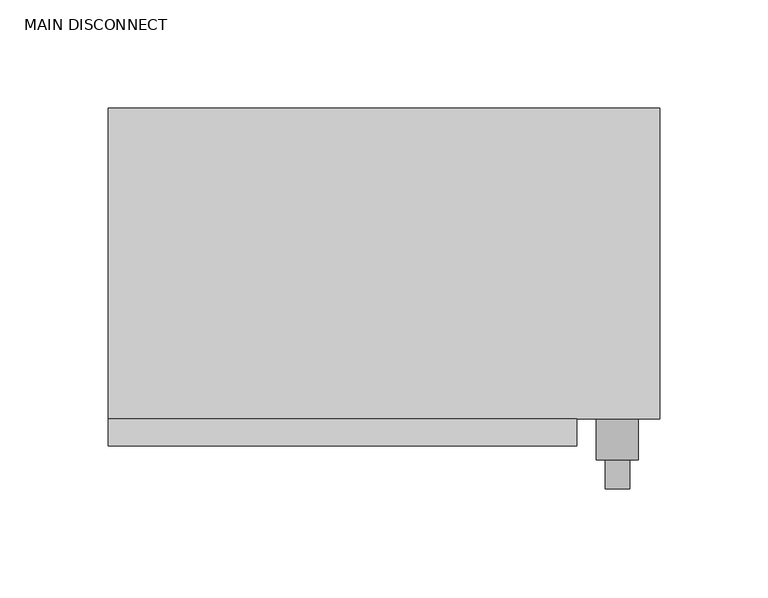
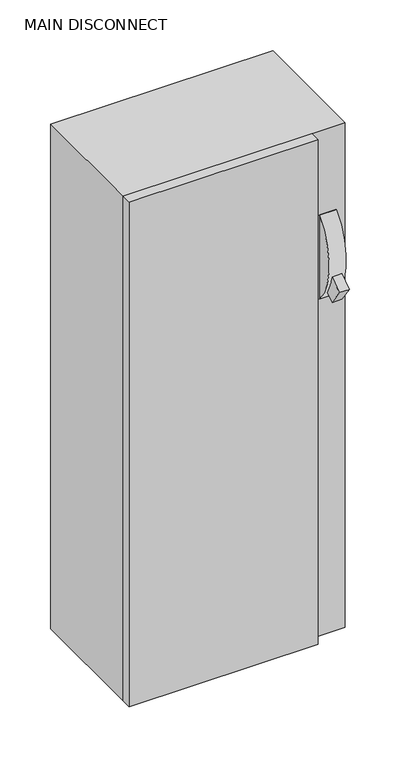
"""IFC4 building model written with IfcOpenShell, lengths in millimetres: proxy geometry, MAIN DISCONNECT."""

from ifc_helpers import new_model, si_unit, frame, origin, place, context, project, spatial, polyline, circle_curve, outline, extrude, source, transform, mapped, element, save
from ifc_brep_helpers import plane_surface, cylinder_surface, advanced_brep


def main_disconnect_1ad45551(model_context):
    return source(origin(), model_context, "Body", "SolidModel", [
        advanced_brep(
        [(113.2806669, -175.5640429, 1651.6001816), (113.2806669, -160.9952014, 1630.7937197), (113.2806669, -151.7567454, 1637.2625562), (113.2806669, -161.0494551, 1661.7634054), (113.2806669, -117.8929306, 1660.9742546), (113.2806669, -110.7200366, 1665.996769), (113.2806669, -117.8929306, 1676.2407233), (101.9953926, -160.9952014, 1630.7937197), (101.9953926, -175.5640429, 1651.6001816), (101.9953926, -161.0494551, 1661.7634054), (101.9953926, -151.7567454, 1637.2625562), (101.9953926, -117.8929306, 1676.2407233), (101.9953926, -110.7200366, 1665.996769), (101.9953926, -117.8929306, 1660.9742546), (117.1799555, -117.8929306, 1727.2), (117.1799555, -143.2998653, 1727.2), (117.1799555, -143.2998653, 1625.6), (117.1799555, -117.8929306, 1625.6), (97.8645466, -117.8929306, 1727.2), (97.8645466, -117.8929306, 1625.6), (97.8645466, -143.2998653, 1625.6), (97.8645466, -143.2998653, 1727.2)],
        [
            (0, 1),
            (1, 2),
            (2, 3, circle_curve(frame((113.2806669, -85.5136803, 1676.4), z_axis=(-1.0, 0.0, 0.0), x_axis=(0.0, 1.0, 0.0)), 76.9407771)),
            (3, 0),
            (4, 5),
            (5, 6),
            (6, 4),
            (7, 8),
            (8, 9),
            (9, 10, circle_curve(frame((101.9953926, -85.5136803, 1676.4), z_axis=(1.0, 0.0, 0.0), x_axis=(0.0, 1.0, 0.0)), 76.9407771)),
            (10, 7),
            (11, 12),
            (12, 13),
            (13, 11),
            (0, 8),
            (7, 1),
            (10, 2),
            (12, 5),
            (4, 13),
            (11, 6),
            (3, 9),
            (14, 15),
            (15, 16, circle_curve(frame((117.1799555, -85.5136803, 1676.4), z_axis=(1.0, 0.0, 0.0), x_axis=(0.0, 1.0, 0.0)), 76.9407771)),
            (16, 17),
            (17, 14),
            (18, 19),
            (19, 20),
            (20, 21, circle_curve(frame((97.8645466, -85.5136803, 1676.4), z_axis=(-1.0, 0.0, 0.0), x_axis=(0.0, 1.0, 0.0)), 76.9407771)),
            (21, 18),
            (14, 18),
            (21, 15),
            (20, 16),
            (19, 17),
        ],
        [
            plane_surface(frame((113.2806669, -160.9952014, 1630.7937197), z_axis=(1.0000000000000002, 0.0, 0.0), x_axis=(0.0, 0.5735764363510432, -0.8191520442889939))),
            plane_surface(frame((101.9953926, -160.9952014, 1630.7937197), z_axis=(-1.0000000000000002, 0.0, 0.0), x_axis=(0.0, -0.5735764363510432, 0.8191520442889939))),
            plane_surface(frame((113.2806669, -175.5640429, 1651.6001816), z_axis=(0.0, -0.8191520442889939, -0.5735764363510432), x_axis=(-1.0, 0.0, 0.0))),
            plane_surface(frame((113.2806669, -160.9952014, 1630.7937197), z_axis=(0.0, 0.5735764363510429, -0.8191520442889941), x_axis=(-1.0, 0.0, 0.0))),
            plane_surface(frame((113.2806669, -110.7200366, 1665.996769), z_axis=(0.0, 0.8191520442889951, 0.5735764363510413), x_axis=(-1.0, 0.0, 0.0))),
            plane_surface(frame((113.2806669, -125.2888781, 1686.803231), z_axis=(0.0, -0.5735764363510424, 0.8191520442889945), x_axis=(-1.0, 0.0, 0.0))),
            plane_surface(frame((117.1799555, -143.2998653, 1727.2), z_axis=(1.0, 0.0, 0.0), x_axis=(0.0, -1.0, 0.0))),
            plane_surface(frame((97.8645466, -143.2998653, 1727.2), z_axis=(-1.0, 0.0, 0.0), x_axis=(0.0, 1.0, 0.0))),
            plane_surface(frame((117.1799555, -117.8929306, 1727.2), z_axis=(0.0, 0.0, 1.0), x_axis=(-1.0, 0.0, 0.0))),
            cylinder_surface(frame((97.8645466, -85.5136803, 1676.4), z_axis=(1.0, 0.0, 0.0), x_axis=(0.0, 1.0, 0.0)), 76.9407771),
            plane_surface(frame((117.1799555, -143.2998653, 1625.6), z_axis=(0.0, 0.0, -1.0), x_axis=(-1.0, 0.0, 0.0))),
            plane_surface(frame((117.1799555, -117.8929306, 1625.6), z_axis=(0.0, 1.0, 0.0), x_axis=(-1.0, 0.0, 0.0))),
        ],
        [
            (0, [[1, 2, 3, 4]]),
            (0, [[5, 6, 7]]),
            (1, [[8, 9, 10, 11]]),
            (1, [[12, 13, 14]]),
            (2, [[-1, 15, -8, 16]]),
            (3, [[-16, -11, 17, -2]]),
            (3, [[18, -5, 19, -13]]),
            (4, [[-18, -12, 20, -6]]),
            (5, [[-15, -4, 21, -9]]),
            (6, [[22, 23, 24, 25]]),
            (7, [[26, 27, 28, 29]]),
            (8, [[-22, 30, -29, 31]]),
            (9, [[-23, -31, -28, 32], [-3, -17, -10, -21]]),
            (10, [[-24, -32, -27, 33]]),
            (11, [[-25, -33, -26, -30], [-7, -20, -14, -19]]),
        ],
    ),
        extrude(outline(polyline([(88.9, -143.2998653), (88.9, -155.702), (-127.0, -155.702), (-127.0, -143.2998653), (88.9, -143.2998653)])), frame((0.0, 0.0, 1219.2), z_axis=(0.0, 0.0, 1.0), x_axis=(1.0, 0.0, 0.0)), (0.0, 0.0, 1.0), 609.6),
        extrude(outline(polyline([(127.0, 0.0), (127.0, -143.2998653), (-127.0, -143.2998653), (-127.0, 0.0), (127.0, 0.0)])), frame((0.0, 0.0, 1219.2), z_axis=(0.0, 0.0, 1.0), x_axis=(1.0, 0.0, 0.0)), (0.0, 0.0, 1.0), 609.6),
    ])


if __name__ == "__main__":
    model = new_model("IFC4")
    model_context = context("Model", 3, world=origin())
    ifc_project = project(units=[si_unit("LENGTHUNIT", "METRE", prefix="MILLI")], contexts=[model_context])
    site = spatial("IfcSite", under=ifc_project)
    building = spatial("IfcBuilding", under=site)
    placement = place(None, origin())
    main_disconnect_shape = main_disconnect_1ad45551(model_context)
    element("IfcBuildingElementProxy", 1, Name="MAIN DISCONNECT", ObjectType="MAIN DISCONNECT", at=placement, inside=building, context=model_context, shape_type="MappedRepresentation", body=[
        mapped(main_disconnect_shape, transform((0.0, 0.0, 0.0), x_axis=(1.0, 0.0, 0.0), y_axis=(0.0, 1.0, 0.0), z_axis=(0.0, 0.0, 1.0))),
    ])
    save(model, "model.ifc")
